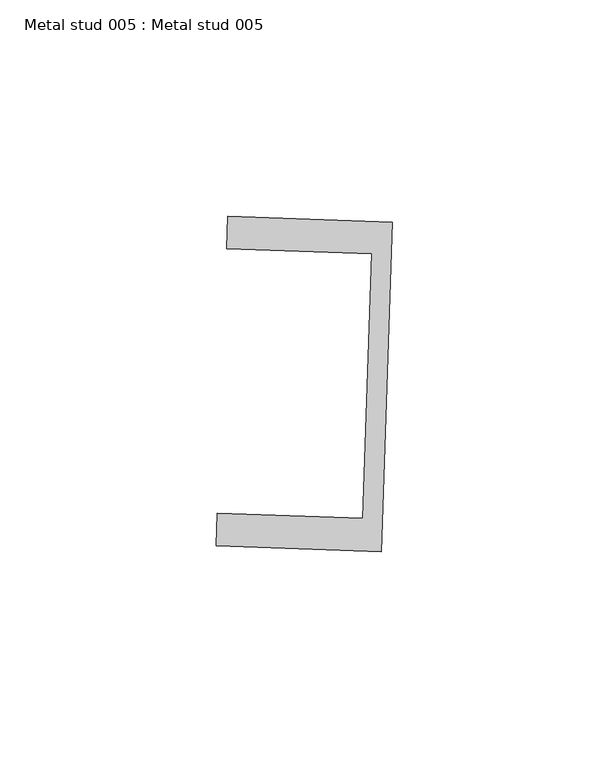
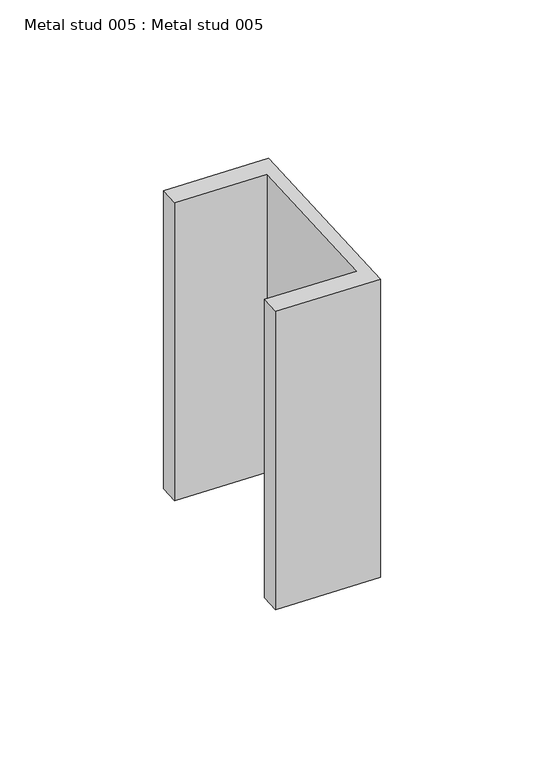
"""IFC4 building model written with IfcOpenShell, lengths in millimetres: proxy geometry, Metal stud 005 : Metal stud 005."""

from ifc_helpers import new_model, si_unit, frame, origin, place, context, project, spatial, polyline, outline, extrude, source, transform, mapped, element, save


def metal_stud_005_metal_stud_005_59587611(model_context):
    return source(origin(), model_context, "Body", "SweptSolid", [
        extrude(outline(polyline([(34092.0592807, -15062.9680201), (34089.4531049, -15139.1234391), (34051.3753954, -15137.8203513), (34051.6319088, -15130.3247392), (34085.212251, -15131.473919), (34087.3054001, -15070.3097242), (34053.7250578, -15069.1605443), (34053.9815712, -15061.6649322), (34092.0592807, -15062.9680201)])), frame((0.0, 0.0, 3035.8512107), z_axis=(0.0, 0.0, 1.0), x_axis=(1.0, 0.0, 0.0)), (0.0, 0.0, 1.0), 116.3251805),
    ])


if __name__ == "__main__":
    model = new_model("IFC4")
    model_context = context("Model", 3, world=origin())
    ifc_project = project(units=[si_unit("LENGTHUNIT", "METRE", prefix="MILLI")], contexts=[model_context])
    site = spatial("IfcSite", under=ifc_project)
    building = spatial("IfcBuilding", under=site)
    placement = place(None, origin())
    metal_stud_005_metal_stud_005_shape = metal_stud_005_metal_stud_005_59587611(model_context)
    element("IfcBuildingElementProxy", 1, Name="Metal stud 005 : Metal stud 005", ObjectType="Metal stud 005 : Metal stud 005", at=placement, inside=building, context=model_context, shape_type="MappedRepresentation", body=[
        mapped(metal_stud_005_metal_stud_005_shape, transform((0.0, 0.0, 0.0), x_axis=(1.0, 0.0, 0.0), y_axis=(0.0, 1.0, 0.0), z_axis=(0.0, 0.0, 1.0))),
    ])
    save(model, "model.ifc")
